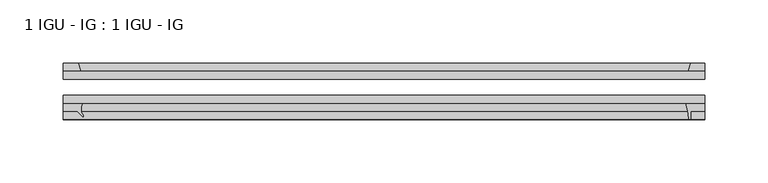
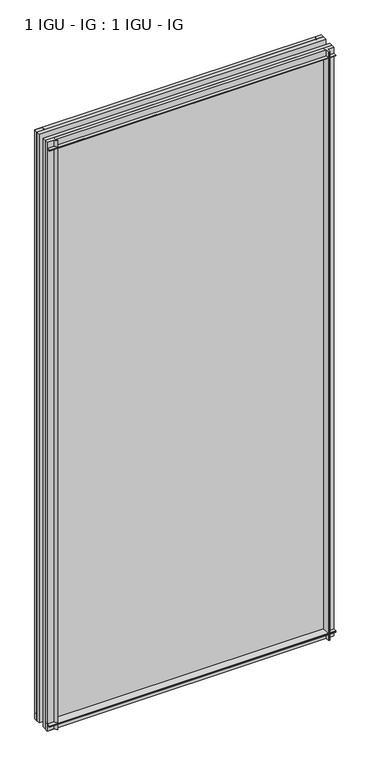
"""IFC4 building model written with IfcOpenShell, lengths in millimetres: plate geometry, 1 IGU - IG : 1 IGU - IG."""

from ifc_helpers import new_model, si_unit, point, frame, frame_2d, origin, place, context, project, spatial, polyline, circle_curve, trimmed, segment, composite_curve, outline, extrude, source, transform, mapped, element, save


def plate_1_igu_ig_1_igu_ig_088362ac(model_context):
    return source(origin(), model_context, "Body", "SweptSolid", [
        extrude(outline(polyline([(254.0, -31.75), (254.0, -38.1), (-254.0, -38.1), (-254.0, -31.75), (254.0, -31.75)])), frame((0.0, 0.0, -11.1125), z_axis=(0.0, 0.0, 1.0), x_axis=(1.0, 0.0, 0.0)), (0.0, 0.0, 1.0), 1101.7245636),
        extrude(outline(polyline([(-254.0, -12.7), (254.0, -12.7), (254.0, -19.05), (-254.0, -19.05), (-254.0, -12.7)])), frame((0.0, 0.0, -11.1125), z_axis=(0.0, 0.0, 1.0), x_axis=(1.0, 0.0, 0.0)), (0.0, 0.0, 1.0), 1101.7245636),
        extrude(outline(polyline([(-239.9410601, -12.7), (-254.0, -12.7), (-254.0, -6.35), (-242.0463372, -6.35), (-239.9410601, -12.7)])), frame((0.0, 0.0, -11.1125), z_axis=(0.0, 0.0, 1.0), x_axis=(1.0, 0.0, 0.0)), (0.0, 0.0, 1.0), 1101.7245636),
        extrude(outline(composite_curve([segment(trimmed(circle_curve(frame_2d((-231.1489011, -42.5735189)), 8.7187667), [point((-238.632518, -38.1))], [point((-238.1488071, -47.7714232))], True, "CARTESIAN"), True, "CONTINUOUS"), segment(trimmed(circle_curve(frame_2d((-238.7605826, -48.225708)), 0.762), [point((-238.1488071, -47.7714232))], [point((-238.4267906, -48.9107094))], False, "CARTESIAN"), True, "CONTINUOUS"), segment(polyline([(-238.4267906, -48.9107094), (-242.8875, -44.45), (-254.0, -44.45), (-254.0, -38.1), (-238.632518, -38.1)]), True, "CONTINUOUS")], self_intersect=False)), frame((0.0, 0.0, -11.1125), z_axis=(0.0, 0.0, 1.0), x_axis=(1.0, 0.0, 0.0)), (0.0, 0.0, 1.0), 1101.7245636),
        extrude(outline(polyline([(254.0, -12.7), (240.7822229, -12.7), (242.8875, -6.35), (254.0, -6.35), (254.0, -12.7)])), frame((0.0, 0.0, -11.1125), z_axis=(0.0, 0.0, 1.0), x_axis=(1.0, 0.0, 0.0)), (0.0, 0.0, 1.0), 1101.7245636),
        extrude(outline(composite_curve([segment(polyline([(238.7063207, -38.1), (254.0, -38.1), (254.0, -44.45), (242.8875, -44.45), (242.8875, -50.8), (241.9675991, -50.8)]), True, "CONTINUOUS"), segment(trimmed(circle_curve(frame_2d((241.9675991, -50.038)), 0.762), [point((241.9675991, -50.8))], [point((241.2075572, -50.0925922))], False, "CARTESIAN"), True, "CONTINUOUS"), segment(trimmed(circle_curve(frame_2d((195.4473044, -53.3794536)), 45.8781451), [point((241.2075572, -50.0925922))], [point((238.7063207, -38.1))], True, "CARTESIAN"), True, "CONTINUOUS")], self_intersect=False)), frame((0.0, 0.0, -11.1125), z_axis=(0.0, 0.0, 1.0), x_axis=(1.0, 0.0, 0.0)), (0.0, 0.0, 1.0), 1101.7245636),
        extrude(outline(polyline([(-12.7, -11.1125), (-12.7, 2.1052771), (-6.35, 0.0), (-6.35, -11.1125), (-12.7, -11.1125)])), frame((-254.0, 0.0, 0.0), z_axis=(1.0, 0.0, 0.0), x_axis=(0.0, 1.0, 0.0)), (0.0, 0.0, 1.0), 508.0),
        extrude(outline(composite_curve([segment(polyline([(-38.1, 4.1811793), (-38.1, -11.1125), (-44.45, -11.1125), (-44.45, 0.0), (-50.8, 0.0), (-50.8, 0.9199009)]), True, "CONTINUOUS"), segment(trimmed(circle_curve(frame_2d((-50.038, 0.9199009)), 0.762), [point((-50.8, 0.9199009))], [point((-50.0925922, 1.6799428))], False, "CARTESIAN"), True, "CONTINUOUS"), segment(trimmed(circle_curve(frame_2d((-53.3794536, 47.4401956)), 45.8781451), [point((-50.0925922, 1.6799428))], [point((-38.1, 4.1811793))], True, "CARTESIAN"), True, "CONTINUOUS")], self_intersect=False)), frame((-254.0, 0.0, 0.0), z_axis=(1.0, 0.0, 0.0), x_axis=(0.0, 1.0, 0.0)), (0.0, 0.0, 1.0), 508.0),
        extrude(outline(polyline([(-6.35, 1079.4995636), (-12.7, 1077.3942865), (-12.7, 1090.6120636), (-6.35, 1090.6120636), (-6.35, 1079.4995636)])), frame((-254.0, 0.0, 0.0), z_axis=(1.0, 0.0, 0.0), x_axis=(0.0, 1.0, 0.0)), (0.0, 0.0, 1.0), 508.0),
        extrude(outline(composite_curve([segment(polyline([(-38.1, 1090.6120636), (-38.1, 1075.3183843)]), True, "CONTINUOUS"), segment(trimmed(circle_curve(frame_2d((-53.3794536, 1032.059368)), 45.8781451), [point((-38.1, 1075.3183843))], [point((-50.0925922, 1077.8196208))], True, "CARTESIAN"), True, "CONTINUOUS"), segment(trimmed(circle_curve(frame_2d((-50.038, 1078.5796627)), 0.762), [point((-50.0925922, 1077.8196208))], [point((-50.8, 1078.5796627))], False, "CARTESIAN"), True, "CONTINUOUS"), segment(polyline([(-50.8, 1078.5796627), (-50.8, 1079.4995636), (-44.45, 1079.4995636), (-44.45, 1090.6120636), (-38.1, 1090.6120636)]), True, "CONTINUOUS")], self_intersect=False)), frame((-254.0, 0.0, 0.0), z_axis=(1.0, 0.0, 0.0), x_axis=(0.0, 1.0, 0.0)), (0.0, 0.0, 1.0), 508.0),
    ])


if __name__ == "__main__":
    model = new_model("IFC4")
    model_context = context("Model", 3, world=origin())
    ifc_project = project(units=[si_unit("LENGTHUNIT", "METRE", prefix="MILLI")], contexts=[model_context])
    site = spatial("IfcSite", under=ifc_project)
    building = spatial("IfcBuilding", under=site)
    placement = place(None, origin())
    plate_1_igu_ig_1_igu_ig_shape = plate_1_igu_ig_1_igu_ig_088362ac(model_context)
    element("IfcPlate", 1, ObjectType="1 IGU - IG : 1 IGU - IG", at=placement, inside=building, context=model_context, shape_type="MappedRepresentation", body=[
        mapped(plate_1_igu_ig_1_igu_ig_shape, transform((0.0, 0.0, 0.0), x_axis=(1.0, 0.0, 0.0), y_axis=(0.0, 1.0, 0.0), z_axis=(0.0, 0.0, 1.0))),
    ])
    save(model, "model.ifc")
